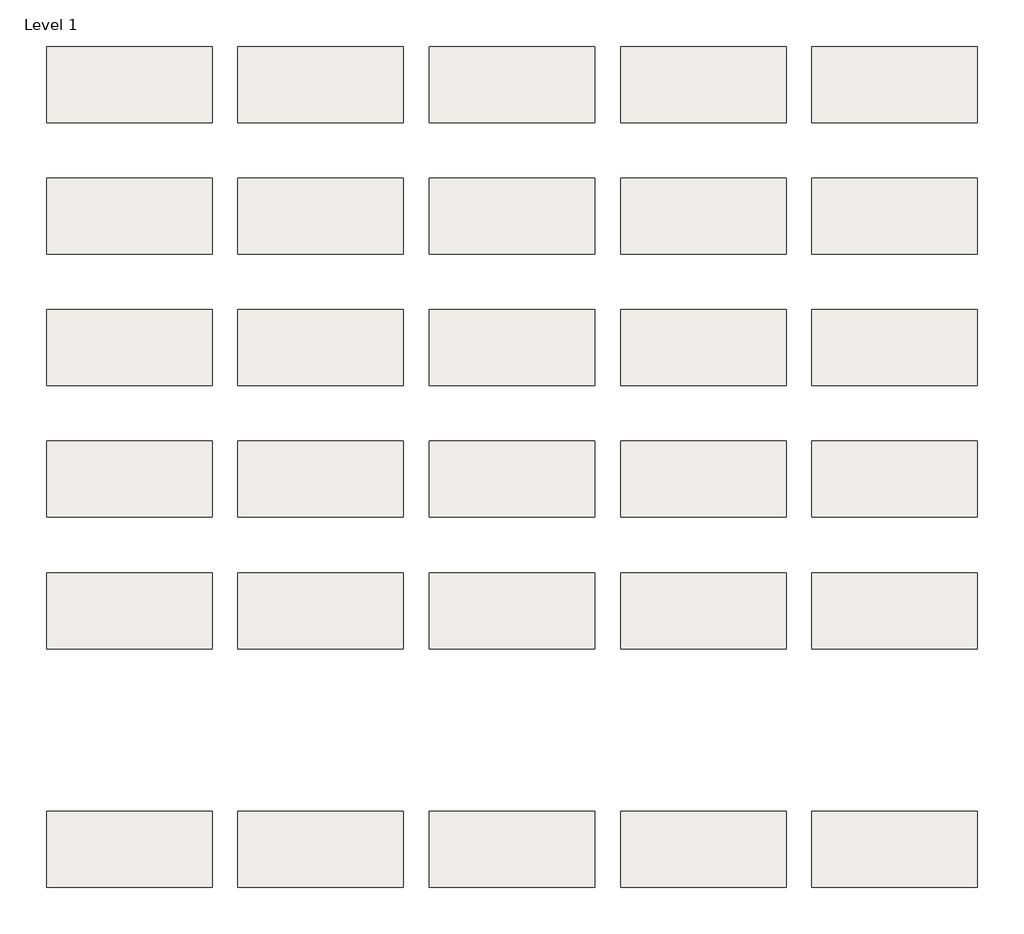
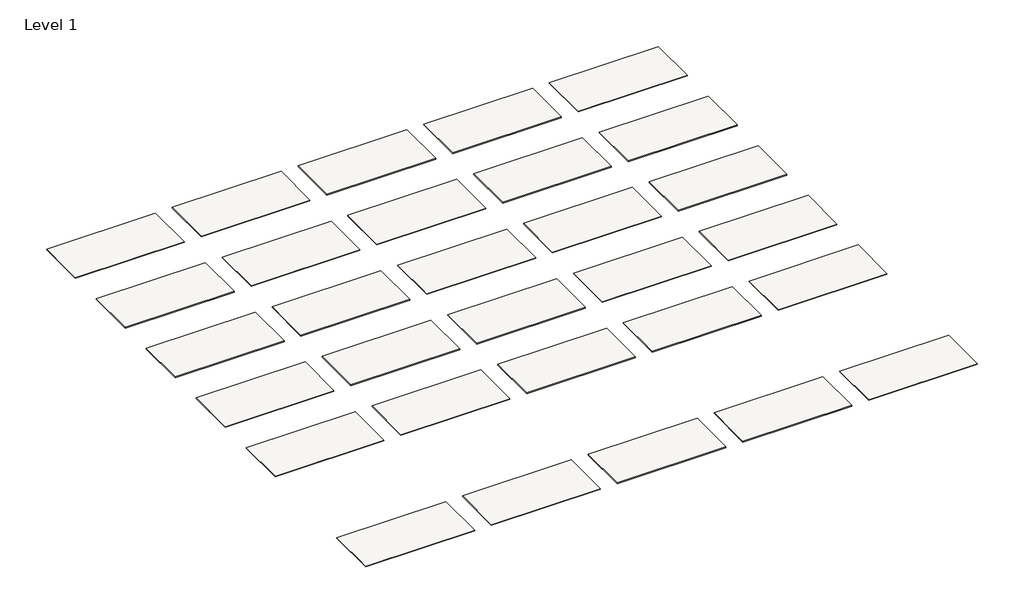
# One storey: 30 roofs.
"""IFC4 building model written with IfcOpenShell, lengths in millimetres."""

from ifc_helpers import new_model, si_unit, origin, origin_with_axes, place, context, project, spatial, polyline, outline, extrude, element, save

model = new_model("IFC4")

# Units and contexts
model_context = context("Model", 3, world=origin())
ifc_project = project(units=[si_unit("LENGTHUNIT", "METRE", prefix="MILLI")], contexts=[model_context])

# Site, building, storey
site = spatial("IfcSite", under=ifc_project)
building = spatial("IfcBuilding", under=site)
storey = spatial("IfcBuildingStorey", under=building, Name="Level 1", Elevation=0.0)

# Roofs
placement = place(None, origin())
element("IfcRoof", 1, at=placement, inside=storey, context=model_context, shape_type="SweptSolid", body=[
    extrude(outline(polyline([(-9725.8471173, -1370.5264682), (-6627.0471173, -1370.5264682), (-6627.0471173, -2792.9264682), (-9725.8471173, -2792.9264682), (-9725.8471173, -1370.5264682)])), origin_with_axes(), (0.0, 0.0, 1.0), 22.225),
])
element("IfcRoof", 2, at=placement, inside=storey, context=model_context, shape_type="SweptSolid", body=[
    extrude(outline(polyline([(-6144.4471173, -1370.5264682), (-3045.6471173, -1370.5264682), (-3045.6471173, -2792.9264682), (-6144.4471173, -2792.9264682), (-6144.4471173, -1370.5264682)])), origin_with_axes(), (0.0, 0.0, 1.0), 22.225),
])
element("IfcRoof", 3, at=placement, inside=storey, context=model_context, shape_type="SweptSolid", body=[
    extrude(outline(polyline([(1018.3528827, -1370.5264682), (4117.1528827, -1370.5264682), (4117.1528827, -2792.9264682), (1018.3528827, -2792.9264682), (1018.3528827, -1370.5264682)])), origin_with_axes(), (0.0, 0.0, 1.0), 22.225),
])
element("IfcRoof", 4, at=placement, inside=storey, context=model_context, shape_type="SweptSolid", body=[
    extrude(outline(polyline([(4599.7528827, -1370.5264682), (7698.5528827, -1370.5264682), (7698.5528827, -2792.9264682), (4599.7528827, -2792.9264682), (4599.7528827, -1370.5264682)])), origin_with_axes(), (0.0, 0.0, 1.0), 22.225),
])
element("IfcRoof", 5, at=placement, inside=storey, context=model_context, shape_type="SweptSolid", body=[
    extrude(outline(polyline([(-9725.8471173, 1093.2735318), (-6627.0471173, 1093.2735318), (-6627.0471173, -329.1264682), (-9725.8471173, -329.1264682), (-9725.8471173, 1093.2735318)])), origin_with_axes(), (0.0, 0.0, 1.0), 22.225),
])
element("IfcRoof", 6, at=placement, inside=storey, context=model_context, shape_type="SweptSolid", body=[
    extrude(outline(polyline([(-6144.4471173, 1093.2735318), (-3045.6471173, 1093.2735318), (-3045.6471173, -329.1264682), (-6144.4471173, -329.1264682), (-6144.4471173, 1093.2735318)])), origin_with_axes(), (0.0, 0.0, 1.0), 22.225),
])
element("IfcRoof", 7, at=placement, inside=storey, context=model_context, shape_type="SweptSolid", body=[
    extrude(outline(polyline([(-2563.0471173, 1093.2735318), (535.7528827, 1093.2735318), (535.7528827, -329.1264682), (-2563.0471173, -329.1264682), (-2563.0471173, 1093.2735318)])), origin_with_axes(), (0.0, 0.0, 1.0), 22.225),
])
element("IfcRoof", 8, at=placement, inside=storey, context=model_context, shape_type="SweptSolid", body=[
    extrude(outline(polyline([(1018.3528827, 1093.2735318), (4117.1528827, 1093.2735318), (4117.1528827, -329.1264682), (1018.3528827, -329.1264682), (1018.3528827, 1093.2735318)])), origin_with_axes(), (0.0, 0.0, 1.0), 22.225),
])
element("IfcRoof", 9, at=placement, inside=storey, context=model_context, shape_type="SweptSolid", body=[
    extrude(outline(polyline([(4599.7528827, 1093.2735318), (7698.5528827, 1093.2735318), (7698.5528827, -329.1264682), (4599.7528827, -329.1264682), (4599.7528827, 1093.2735318)])), origin_with_axes(), (0.0, 0.0, 1.0), 22.225),
])
element("IfcRoof", 10, at=placement, inside=storey, context=model_context, shape_type="SweptSolid", body=[
    extrude(outline(polyline([(-9725.8471173, 3557.0735318), (-6627.0471173, 3557.0735318), (-6627.0471173, 2134.6735318), (-9725.8471173, 2134.6735318), (-9725.8471173, 3557.0735318)])), origin_with_axes(), (0.0, 0.0, 1.0), 22.225),
])
element("IfcRoof", 11, at=placement, inside=storey, context=model_context, shape_type="SweptSolid", body=[
    extrude(outline(polyline([(-6144.4471173, 3557.0735318), (-3045.6471173, 3557.0735318), (-3045.6471173, 2134.6735318), (-6144.4471173, 2134.6735318), (-6144.4471173, 3557.0735318)])), origin_with_axes(), (0.0, 0.0, 1.0), 22.225),
])
element("IfcRoof", 12, at=placement, inside=storey, context=model_context, shape_type="SweptSolid", body=[
    extrude(outline(polyline([(-2563.0471173, 3557.0735318), (535.7528827, 3557.0735318), (535.7528827, 2134.6735318), (-2563.0471173, 2134.6735318), (-2563.0471173, 3557.0735318)])), origin_with_axes(), (0.0, 0.0, 1.0), 22.225),
])
element("IfcRoof", 13, at=placement, inside=storey, context=model_context, shape_type="SweptSolid", body=[
    extrude(outline(polyline([(1018.3528827, 3557.0735318), (4117.1528827, 3557.0735318), (4117.1528827, 2134.6735318), (1018.3528827, 2134.6735318), (1018.3528827, 3557.0735318)])), origin_with_axes(), (0.0, 0.0, 1.0), 22.225),
])
element("IfcRoof", 14, at=placement, inside=storey, context=model_context, shape_type="SweptSolid", body=[
    extrude(outline(polyline([(4599.7528827, 3557.0735318), (7698.5528827, 3557.0735318), (7698.5528827, 2134.6735318), (4599.7528827, 2134.6735318), (4599.7528827, 3557.0735318)])), origin_with_axes(), (0.0, 0.0, 1.0), 22.225),
])
element("IfcRoof", 15, at=placement, inside=storey, context=model_context, shape_type="SweptSolid", body=[
    extrude(outline(polyline([(-9725.8471173, 6020.8735318), (-6627.0471173, 6020.8735318), (-6627.0471173, 4598.4735318), (-9725.8471173, 4598.4735318), (-9725.8471173, 6020.8735318)])), origin_with_axes(), (0.0, 0.0, 1.0), 22.225),
])
element("IfcRoof", 16, at=placement, inside=storey, context=model_context, shape_type="SweptSolid", body=[
    extrude(outline(polyline([(-6144.4471173, 6020.8735318), (-3045.6471173, 6020.8735318), (-3045.6471173, 4598.4735318), (-6144.4471173, 4598.4735318), (-6144.4471173, 6020.8735318)])), origin_with_axes(), (0.0, 0.0, 1.0), 22.225),
])
element("IfcRoof", 17, at=placement, inside=storey, context=model_context, shape_type="SweptSolid", body=[
    extrude(outline(polyline([(-2563.0471173, 6020.8735318), (535.7528827, 6020.8735318), (535.7528827, 4598.4735318), (-2563.0471173, 4598.4735318), (-2563.0471173, 6020.8735318)])), origin_with_axes(), (0.0, 0.0, 1.0), 22.225),
])
element("IfcRoof", 18, at=placement, inside=storey, context=model_context, shape_type="SweptSolid", body=[
    extrude(outline(polyline([(1018.3528827, 6020.8735318), (4117.1528827, 6020.8735318), (4117.1528827, 4598.4735318), (1018.3528827, 4598.4735318), (1018.3528827, 6020.8735318)])), origin_with_axes(), (0.0, 0.0, 1.0), 22.225),
])
element("IfcRoof", 19, at=placement, inside=storey, context=model_context, shape_type="SweptSolid", body=[
    extrude(outline(polyline([(4599.7528827, 6020.8735318), (7698.5528827, 6020.8735318), (7698.5528827, 4598.4735318), (4599.7528827, 4598.4735318), (4599.7528827, 6020.8735318)])), origin_with_axes(), (0.0, 0.0, 1.0), 22.225),
])
element("IfcRoof", 20, at=placement, inside=storey, context=model_context, shape_type="SweptSolid", body=[
    extrude(outline(polyline([(-9725.8471173, 8484.6735318), (-6627.0471173, 8484.6735318), (-6627.0471173, 7062.2735318), (-9725.8471173, 7062.2735318), (-9725.8471173, 8484.6735318)])), origin_with_axes(), (0.0, 0.0, 1.0), 22.225),
])
element("IfcRoof", 21, at=placement, inside=storey, context=model_context, shape_type="SweptSolid", body=[
    extrude(outline(polyline([(-6144.4471173, 8484.6735318), (-3045.6471173, 8484.6735318), (-3045.6471173, 7062.2735318), (-6144.4471173, 7062.2735318), (-6144.4471173, 8484.6735318)])), origin_with_axes(), (0.0, 0.0, 1.0), 22.225),
])
element("IfcRoof", 22, at=placement, inside=storey, context=model_context, shape_type="SweptSolid", body=[
    extrude(outline(polyline([(-2563.0471173, 8484.6735318), (535.7528827, 8484.6735318), (535.7528827, 7062.2735318), (-2563.0471173, 7062.2735318), (-2563.0471173, 8484.6735318)])), origin_with_axes(), (0.0, 0.0, 1.0), 22.225),
])
element("IfcRoof", 23, at=placement, inside=storey, context=model_context, shape_type="SweptSolid", body=[
    extrude(outline(polyline([(1018.3528827, 8484.6735318), (4117.1528827, 8484.6735318), (4117.1528827, 7062.2735318), (1018.3528827, 7062.2735318), (1018.3528827, 8484.6735318)])), origin_with_axes(), (0.0, 0.0, 1.0), 22.225),
])
element("IfcRoof", 24, at=placement, inside=storey, context=model_context, shape_type="SweptSolid", body=[
    extrude(outline(polyline([(4599.7528827, 8484.6735318), (7698.5528827, 8484.6735318), (7698.5528827, 7062.2735318), (4599.7528827, 7062.2735318), (4599.7528827, 8484.6735318)])), origin_with_axes(), (0.0, 0.0, 1.0), 22.225),
])
element("IfcRoof", 25, at=placement, inside=storey, context=model_context, shape_type="SweptSolid", body=[
    extrude(outline(polyline([(-9725.8471173, -5840.9264682), (-6627.0471173, -5840.9264682), (-6627.0471173, -7263.3264682), (-9725.8471173, -7263.3264682), (-9725.8471173, -5840.9264682)])), origin_with_axes(), (0.0, 0.0, 1.0), 22.225),
])
element("IfcRoof", 26, at=placement, inside=storey, context=model_context, shape_type="SweptSolid", body=[
    extrude(outline(polyline([(-6144.4471173, -5840.9264682), (-3045.6471173, -5840.9264682), (-3045.6471173, -7263.3264682), (-6144.4471173, -7263.3264682), (-6144.4471173, -5840.9264682)])), origin_with_axes(), (0.0, 0.0, 1.0), 22.225),
])
element("IfcRoof", 27, at=placement, inside=storey, context=model_context, shape_type="SweptSolid", body=[
    extrude(outline(polyline([(-2563.0471173, -5840.9264682), (535.7528827, -5840.9264682), (535.7528827, -7263.3264682), (-2563.0471173, -7263.3264682), (-2563.0471173, -5840.9264682)])), origin_with_axes(), (0.0, 0.0, 1.0), 22.225),
])
element("IfcRoof", 28, at=placement, inside=storey, context=model_context, shape_type="SweptSolid", body=[
    extrude(outline(polyline([(1018.3528827, -5840.9264682), (4117.1528827, -5840.9264682), (4117.1528827, -7263.3264682), (1018.3528827, -7263.3264682), (1018.3528827, -5840.9264682)])), origin_with_axes(), (0.0, 0.0, 1.0), 22.225),
])
element("IfcRoof", 29, at=placement, inside=storey, context=model_context, shape_type="SweptSolid", body=[
    extrude(outline(polyline([(4599.7528827, -5840.9264682), (7698.5528827, -5840.9264682), (7698.5528827, -7263.3264682), (4599.7528827, -7263.3264682), (4599.7528827, -5840.9264682)])), origin_with_axes(), (0.0, 0.0, 1.0), 22.225),
])
element("IfcRoof", 30, ObjectType="Metal - Fabral - 7/8\" Corrugated - 32\" - 26 ga. Steel - Teal", at=placement, inside=storey, context=model_context, shape_type="SweptSolid", body=[
    extrude(outline(polyline([(-2563.0471173, -1370.5264682), (535.7528827, -1370.5264682), (535.7528827, -2792.9264682), (-2563.0471173, -2792.9264682), (-2563.0471173, -1370.5264682)])), origin_with_axes(), (0.0, 0.0, 1.0), 22.225),
])

save(model, "model.ifc")
